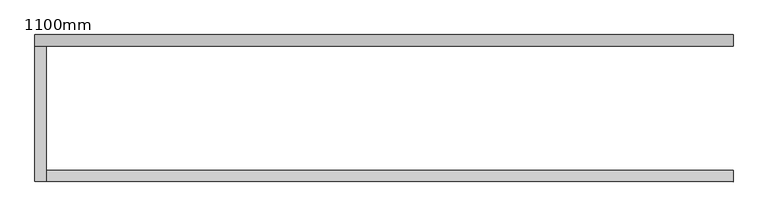
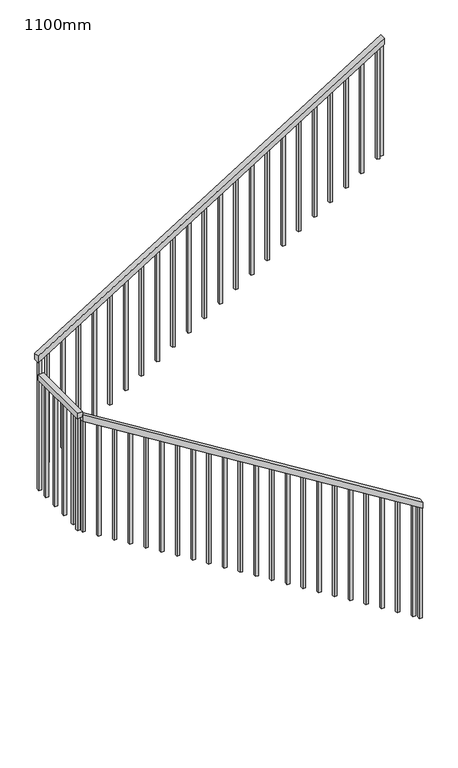
"""IFC4 building model written with IfcOpenShell, lengths in millimetres: railing geometry, 1100mm."""

from ifc_helpers import new_model, si_unit, frame, origin, place, context, project, spatial, polyline, outline, extrude, source, transform, mapped, element, save


def railing_1100mm_722ea6b3(model_context):
    return source(origin(), model_context, "Body", "SweptSolid", [
        extrude(outline(polyline([(4215.0533037, 3017.6359883), (4273.9130435, 3017.6359883), (6155.9006211, -12.3640117), (6097.0408814, -12.3640117), (4215.0533037, 3017.6359883)])), frame((0.0, 32334.0312544, 0.0), z_axis=(0.0, 1.0, 0.0), x_axis=(0.0, 0.0, 1.0)), (0.0, 0.0, 1.0), 50.0),
        extrude(outline(polyline([(-12.3640117, 32334.0312544), (-62.3640117, 32334.0312544), (-62.3640117, 32932.429968), (-12.3640117, 32932.429968), (-12.3640117, 32334.0312544)])), frame((0.0, 0.0, 6136.9565217), z_axis=(0.0, 0.0, 1.0), x_axis=(1.0, 0.0, 0.0)), (0.0, 0.0, 1.0), 50.0),
        extrude(outline(polyline([(6360.8695652, -62.3640117), (6302.0098255, -62.3640117), (8215.0533037, 3017.6359883), (8273.9130435, 3017.6359883), (6360.8695652, -62.3640117)])), frame((0.0, 32932.429968, 0.0), z_axis=(0.0, 1.0, 0.0), x_axis=(0.0, 0.0, 1.0)), (0.0, 0.0, 1.0), 50.0),
        extrude(outline(polyline([(8179.339018, 2960.1359883), (7145.9627329, 2960.1359883), (7145.9627329, 2985.1359883), (8194.8669683, 2985.1359883), (8179.339018, 2960.1359883)])), frame((0.0, 32944.929968, 0.0), z_axis=(0.0, 1.0, 0.0), x_axis=(0.0, 0.0, 1.0)), (0.0, 0.0, 1.0), 25.0),
        extrude(outline(polyline([(8092.3824963, 2820.1359883), (7059.0062112, 2820.1359883), (7059.0062112, 2845.1359883), (8107.9104466, 2845.1359883), (8092.3824963, 2820.1359883)])), frame((0.0, 32944.929968, 0.0), z_axis=(0.0, 1.0, 0.0), x_axis=(0.0, 0.0, 1.0)), (0.0, 0.0, 1.0), 25.0),
        extrude(outline(polyline([(8005.4259745, 2680.1359883), (6972.0496894, 2680.1359883), (6972.0496894, 2705.1359883), (8020.9539248, 2705.1359883), (8005.4259745, 2680.1359883)])), frame((0.0, 32944.929968, 0.0), z_axis=(0.0, 1.0, 0.0), x_axis=(0.0, 0.0, 1.0)), (0.0, 0.0, 1.0), 25.0),
        extrude(outline(polyline([(7918.4694528, 2540.1359883), (6885.0931677, 2540.1359883), (6885.0931677, 2565.1359883), (7933.9974031, 2565.1359883), (7918.4694528, 2540.1359883)])), frame((0.0, 32944.929968, 0.0), z_axis=(0.0, 1.0, 0.0), x_axis=(0.0, 0.0, 1.0)), (0.0, 0.0, 1.0), 25.0),
        extrude(outline(polyline([(7831.5129311, 2400.1359883), (6798.136646, 2400.1359883), (6798.136646, 2425.1359883), (7847.0408814, 2425.1359883), (7831.5129311, 2400.1359883)])), frame((0.0, 32944.929968, 0.0), z_axis=(0.0, 1.0, 0.0), x_axis=(0.0, 0.0, 1.0)), (0.0, 0.0, 1.0), 25.0),
        extrude(outline(polyline([(7744.5564093, 2260.1359883), (6711.1801242, 2260.1359883), (6711.1801242, 2285.1359883), (7760.0843596, 2285.1359883), (7744.5564093, 2260.1359883)])), frame((0.0, 32944.929968, 0.0), z_axis=(0.0, 1.0, 0.0), x_axis=(0.0, 0.0, 1.0)), (0.0, 0.0, 1.0), 25.0),
        extrude(outline(polyline([(7657.5998876, 2120.1359883), (6624.2236025, 2120.1359883), (6624.2236025, 2145.1359883), (7673.1278379, 2145.1359883), (7657.5998876, 2120.1359883)])), frame((0.0, 32944.929968, 0.0), z_axis=(0.0, 1.0, 0.0), x_axis=(0.0, 0.0, 1.0)), (0.0, 0.0, 1.0), 25.0),
        extrude(outline(polyline([(7570.6433658, 1980.1359883), (6537.2670807, 1980.1359883), (6537.2670807, 2005.1359883), (7586.1713162, 2005.1359883), (7570.6433658, 1980.1359883)])), frame((0.0, 32944.929968, 0.0), z_axis=(0.0, 1.0, 0.0), x_axis=(0.0, 0.0, 1.0)), (0.0, 0.0, 1.0), 25.0),
        extrude(outline(polyline([(7483.6868441, 1840.1359883), (6450.310559, 1840.1359883), (6450.310559, 1865.1359883), (7499.2147944, 1865.1359883), (7483.6868441, 1840.1359883)])), frame((0.0, 32944.929968, 0.0), z_axis=(0.0, 1.0, 0.0), x_axis=(0.0, 0.0, 1.0)), (0.0, 0.0, 1.0), 25.0),
        extrude(outline(polyline([(7396.7303224, 1700.1359883), (6363.3540373, 1700.1359883), (6363.3540373, 1725.1359883), (7412.2582727, 1725.1359883), (7396.7303224, 1700.1359883)])), frame((0.0, 32944.929968, 0.0), z_axis=(0.0, 1.0, 0.0), x_axis=(0.0, 0.0, 1.0)), (0.0, 0.0, 1.0), 25.0),
        extrude(outline(polyline([(7309.7738006, 1560.1359883), (6276.3975155, 1560.1359883), (6276.3975155, 1585.1359883), (7325.3017509, 1585.1359883), (7309.7738006, 1560.1359883)])), frame((0.0, 32944.929968, 0.0), z_axis=(0.0, 1.0, 0.0), x_axis=(0.0, 0.0, 1.0)), (0.0, 0.0, 1.0), 25.0),
        extrude(outline(polyline([(7222.8172789, 1420.1359883), (6189.4409938, 1420.1359883), (6189.4409938, 1445.1359883), (7238.3452292, 1445.1359883), (7222.8172789, 1420.1359883)])), frame((0.0, 32944.929968, 0.0), z_axis=(0.0, 1.0, 0.0), x_axis=(0.0, 0.0, 1.0)), (0.0, 0.0, 1.0), 25.0),
        extrude(outline(polyline([(7135.8607571, 1280.1359883), (6102.484472, 1280.1359883), (6102.484472, 1305.1359883), (7151.3887075, 1305.1359883), (7135.8607571, 1280.1359883)])), frame((0.0, 32944.929968, 0.0), z_axis=(0.0, 1.0, 0.0), x_axis=(0.0, 0.0, 1.0)), (0.0, 0.0, 1.0), 25.0),
        extrude(outline(polyline([(7048.9042354, 1140.1359883), (6015.5279503, 1140.1359883), (6015.5279503, 1165.1359883), (7064.4321857, 1165.1359883), (7048.9042354, 1140.1359883)])), frame((0.0, 32944.929968, 0.0), z_axis=(0.0, 1.0, 0.0), x_axis=(0.0, 0.0, 1.0)), (0.0, 0.0, 1.0), 25.0),
        extrude(outline(polyline([(6961.9477137, 1000.1359883), (5928.5714286, 1000.1359883), (5928.5714286, 1025.1359883), (6977.475664, 1025.1359883), (6961.9477137, 1000.1359883)])), frame((0.0, 32944.929968, 0.0), z_axis=(0.0, 1.0, 0.0), x_axis=(0.0, 0.0, 1.0)), (0.0, 0.0, 1.0), 25.0),
        extrude(outline(polyline([(6874.9911919, 860.1359883), (5841.6149068, 860.1359883), (5841.6149068, 885.1359883), (6890.5191422, 885.1359883), (6874.9911919, 860.1359883)])), frame((0.0, 32944.929968, 0.0), z_axis=(0.0, 1.0, 0.0), x_axis=(0.0, 0.0, 1.0)), (0.0, 0.0, 1.0), 25.0),
        extrude(outline(polyline([(6788.0346702, 720.1359883), (5754.6583851, 720.1359883), (5754.6583851, 745.1359883), (6803.5626205, 745.1359883), (6788.0346702, 720.1359883)])), frame((0.0, 32944.929968, 0.0), z_axis=(0.0, 1.0, 0.0), x_axis=(0.0, 0.0, 1.0)), (0.0, 0.0, 1.0), 25.0),
        extrude(outline(polyline([(6701.0781484, 580.1359883), (5667.7018634, 580.1359883), (5667.7018634, 605.1359883), (6716.6060988, 605.1359883), (6701.0781484, 580.1359883)])), frame((0.0, 32944.929968, 0.0), z_axis=(0.0, 1.0, 0.0), x_axis=(0.0, 0.0, 1.0)), (0.0, 0.0, 1.0), 25.0),
        extrude(outline(polyline([(6614.1216267, 440.1359883), (5580.7453416, 440.1359883), (5580.7453416, 465.1359883), (6629.649577, 465.1359883), (6614.1216267, 440.1359883)])), frame((0.0, 32944.929968, 0.0), z_axis=(0.0, 1.0, 0.0), x_axis=(0.0, 0.0, 1.0)), (0.0, 0.0, 1.0), 25.0),
        extrude(outline(polyline([(6527.165105, 300.1359883), (5493.7888199, 300.1359883), (5493.7888199, 325.1359883), (6542.6930553, 325.1359883), (6527.165105, 300.1359883)])), frame((0.0, 32944.929968, 0.0), z_axis=(0.0, 1.0, 0.0), x_axis=(0.0, 0.0, 1.0)), (0.0, 0.0, 1.0), 25.0),
        extrude(outline(polyline([(6440.2085832, 160.1359883), (5406.8322981, 160.1359883), (5406.8322981, 185.1359883), (6455.7365335, 185.1359883), (6440.2085832, 160.1359883)])), frame((0.0, 32944.929968, 0.0), z_axis=(0.0, 1.0, 0.0), x_axis=(0.0, 0.0, 1.0)), (0.0, 0.0, 1.0), 25.0),
        extrude(outline(polyline([(6353.2520615, 20.1359883), (5319.8757764, 20.1359883), (5319.8757764, 45.1359883), (6368.7800118, 45.1359883), (6353.2520615, 20.1359883)])), frame((0.0, 32944.929968, 0.0), z_axis=(0.0, 1.0, 0.0), x_axis=(0.0, 0.0, 1.0)), (0.0, 0.0, 1.0), 25.0),
        extrude(outline(polyline([(-24.8640117, 32836.5312544), (-49.8640117, 32836.5312544), (-49.8640117, 32861.5312544), (-24.8640117, 32861.5312544), (-24.8640117, 32836.5312544)])), frame((0.0, 0.0, 5086.9565217), z_axis=(0.0, 0.0, 1.0), x_axis=(1.0, 0.0, 0.0)), (0.0, 0.0, 1.0), 1050.0),
        extrude(outline(polyline([(-24.8640117, 32696.5312544), (-49.8640117, 32696.5312544), (-49.8640117, 32721.5312544), (-24.8640117, 32721.5312544), (-24.8640117, 32696.5312544)])), frame((0.0, 0.0, 5086.9565217), z_axis=(0.0, 0.0, 1.0), x_axis=(1.0, 0.0, 0.0)), (0.0, 0.0, 1.0), 1050.0),
        extrude(outline(polyline([(-24.8640117, 32556.5312544), (-49.8640117, 32556.5312544), (-49.8640117, 32581.5312544), (-24.8640117, 32581.5312544), (-24.8640117, 32556.5312544)])), frame((0.0, 0.0, 5086.9565217), z_axis=(0.0, 0.0, 1.0), x_axis=(1.0, 0.0, 0.0)), (0.0, 0.0, 1.0), 1050.0),
        extrude(outline(polyline([(-24.8640117, 32416.5312544), (-49.8640117, 32416.5312544), (-49.8640117, 32441.5312544), (-24.8640117, 32441.5312544), (-24.8640117, 32416.5312544)])), frame((0.0, 0.0, 5086.9565217), z_axis=(0.0, 0.0, 1.0), x_axis=(1.0, 0.0, 0.0)), (0.0, 0.0, 1.0), 1050.0),
        extrude(outline(polyline([(5043.4782609, 20.1359883), (6076.854546, 20.1359883), (6092.3824963, -4.8640117), (5043.4782609, -4.8640117), (5043.4782609, 20.1359883)])), frame((0.0, 32346.5312544, 0.0), z_axis=(0.0, 1.0, 0.0), x_axis=(0.0, 0.0, 1.0)), (0.0, 0.0, 1.0), 25.0),
        extrude(outline(polyline([(4956.5217391, 160.1359883), (5989.8980242, 160.1359883), (6005.4259745, 135.1359883), (4956.5217391, 135.1359883), (4956.5217391, 160.1359883)])), frame((0.0, 32346.5312544, 0.0), z_axis=(0.0, 1.0, 0.0), x_axis=(0.0, 0.0, 1.0)), (0.0, 0.0, 1.0), 25.0),
        extrude(outline(polyline([(4869.5652174, 300.1359883), (5902.9415025, 300.1359883), (5918.4694528, 275.1359883), (4869.5652174, 275.1359883), (4869.5652174, 300.1359883)])), frame((0.0, 32346.5312544, 0.0), z_axis=(0.0, 1.0, 0.0), x_axis=(0.0, 0.0, 1.0)), (0.0, 0.0, 1.0), 25.0),
        extrude(outline(polyline([(4782.6086957, 440.1359883), (5815.9849807, 440.1359883), (5831.5129311, 415.1359883), (4782.6086957, 415.1359883), (4782.6086957, 440.1359883)])), frame((0.0, 32346.5312544, 0.0), z_axis=(0.0, 1.0, 0.0), x_axis=(0.0, 0.0, 1.0)), (0.0, 0.0, 1.0), 25.0),
        extrude(outline(polyline([(4695.6521739, 580.1359883), (5729.028459, 580.1359883), (5744.5564093, 555.1359883), (4695.6521739, 555.1359883), (4695.6521739, 580.1359883)])), frame((0.0, 32346.5312544, 0.0), z_axis=(0.0, 1.0, 0.0), x_axis=(0.0, 0.0, 1.0)), (0.0, 0.0, 1.0), 25.0),
        extrude(outline(polyline([(4608.6956522, 720.1359883), (5642.0719373, 720.1359883), (5657.5998876, 695.1359883), (4608.6956522, 695.1359883), (4608.6956522, 720.1359883)])), frame((0.0, 32346.5312544, 0.0), z_axis=(0.0, 1.0, 0.0), x_axis=(0.0, 0.0, 1.0)), (0.0, 0.0, 1.0), 25.0),
        extrude(outline(polyline([(4521.7391304, 860.1359883), (5555.1154155, 860.1359883), (5570.6433658, 835.1359883), (4521.7391304, 835.1359883), (4521.7391304, 860.1359883)])), frame((0.0, 32346.5312544, 0.0), z_axis=(0.0, 1.0, 0.0), x_axis=(0.0, 0.0, 1.0)), (0.0, 0.0, 1.0), 25.0),
        extrude(outline(polyline([(4434.7826087, 1000.1359883), (5468.1588938, 1000.1359883), (5483.6868441, 975.1359883), (4434.7826087, 975.1359883), (4434.7826087, 1000.1359883)])), frame((0.0, 32346.5312544, 0.0), z_axis=(0.0, 1.0, 0.0), x_axis=(0.0, 0.0, 1.0)), (0.0, 0.0, 1.0), 25.0),
        extrude(outline(polyline([(4347.826087, 1140.1359883), (5381.2023721, 1140.1359883), (5396.7303224, 1115.1359883), (4347.826087, 1115.1359883), (4347.826087, 1140.1359883)])), frame((0.0, 32346.5312544, 0.0), z_axis=(0.0, 1.0, 0.0), x_axis=(0.0, 0.0, 1.0)), (0.0, 0.0, 1.0), 25.0),
        extrude(outline(polyline([(4260.8695652, 1280.1359883), (5294.2458503, 1280.1359883), (5309.7738006, 1255.1359883), (4260.8695652, 1255.1359883), (4260.8695652, 1280.1359883)])), frame((0.0, 32346.5312544, 0.0), z_axis=(0.0, 1.0, 0.0), x_axis=(0.0, 0.0, 1.0)), (0.0, 0.0, 1.0), 25.0),
        extrude(outline(polyline([(4173.9130435, 1420.1359883), (5207.2893286, 1420.1359883), (5222.8172789, 1395.1359883), (4173.9130435, 1395.1359883), (4173.9130435, 1420.1359883)])), frame((0.0, 32346.5312544, 0.0), z_axis=(0.0, 1.0, 0.0), x_axis=(0.0, 0.0, 1.0)), (0.0, 0.0, 1.0), 25.0),
        extrude(outline(polyline([(4086.9565217, 1560.1359883), (5120.3328068, 1560.1359883), (5135.8607571, 1535.1359883), (4086.9565217, 1535.1359883), (4086.9565217, 1560.1359883)])), frame((0.0, 32346.5312544, 0.0), z_axis=(0.0, 1.0, 0.0), x_axis=(0.0, 0.0, 1.0)), (0.0, 0.0, 1.0), 25.0),
        extrude(outline(polyline([(4000.0, 1700.1359883), (5033.3762851, 1700.1359883), (5048.9042354, 1675.1359883), (4000.0, 1675.1359883), (4000.0, 1700.1359883)])), frame((0.0, 32346.5312544, 0.0), z_axis=(0.0, 1.0, 0.0), x_axis=(0.0, 0.0, 1.0)), (0.0, 0.0, 1.0), 25.0),
        extrude(outline(polyline([(3913.0434783, 1840.1359883), (4946.4197634, 1840.1359883), (4961.9477137, 1815.1359883), (3913.0434783, 1815.1359883), (3913.0434783, 1840.1359883)])), frame((0.0, 32346.5312544, 0.0), z_axis=(0.0, 1.0, 0.0), x_axis=(0.0, 0.0, 1.0)), (0.0, 0.0, 1.0), 25.0),
        extrude(outline(polyline([(3826.0869565, 1980.1359883), (4859.4632416, 1980.1359883), (4874.9911919, 1955.1359883), (3826.0869565, 1955.1359883), (3826.0869565, 1980.1359883)])), frame((0.0, 32346.5312544, 0.0), z_axis=(0.0, 1.0, 0.0), x_axis=(0.0, 0.0, 1.0)), (0.0, 0.0, 1.0), 25.0),
        extrude(outline(polyline([(3739.1304348, 2120.1359883), (4772.5067199, 2120.1359883), (4788.0346702, 2095.1359883), (3739.1304348, 2095.1359883), (3739.1304348, 2120.1359883)])), frame((0.0, 32346.5312544, 0.0), z_axis=(0.0, 1.0, 0.0), x_axis=(0.0, 0.0, 1.0)), (0.0, 0.0, 1.0), 25.0),
        extrude(outline(polyline([(3652.173913, 2260.1359883), (4685.5501981, 2260.1359883), (4701.0781484, 2235.1359883), (3652.173913, 2235.1359883), (3652.173913, 2260.1359883)])), frame((0.0, 32346.5312544, 0.0), z_axis=(0.0, 1.0, 0.0), x_axis=(0.0, 0.0, 1.0)), (0.0, 0.0, 1.0), 25.0),
        extrude(outline(polyline([(3565.2173913, 2400.1359883), (4598.5936764, 2400.1359883), (4614.1216267, 2375.1359883), (3565.2173913, 2375.1359883), (3565.2173913, 2400.1359883)])), frame((0.0, 32346.5312544, 0.0), z_axis=(0.0, 1.0, 0.0), x_axis=(0.0, 0.0, 1.0)), (0.0, 0.0, 1.0), 25.0),
        extrude(outline(polyline([(3478.2608696, 2540.1359883), (4511.6371547, 2540.1359883), (4527.165105, 2515.1359883), (3478.2608696, 2515.1359883), (3478.2608696, 2540.1359883)])), frame((0.0, 32346.5312544, 0.0), z_axis=(0.0, 1.0, 0.0), x_axis=(0.0, 0.0, 1.0)), (0.0, 0.0, 1.0), 25.0),
        extrude(outline(polyline([(3391.3043478, 2680.1359883), (4424.6806329, 2680.1359883), (4440.2085832, 2655.1359883), (3391.3043478, 2655.1359883), (3391.3043478, 2680.1359883)])), frame((0.0, 32346.5312544, 0.0), z_axis=(0.0, 1.0, 0.0), x_axis=(0.0, 0.0, 1.0)), (0.0, 0.0, 1.0), 25.0),
        extrude(outline(polyline([(3304.3478261, 2820.1359883), (4337.7241112, 2820.1359883), (4353.2520615, 2795.1359883), (3304.3478261, 2795.1359883), (3304.3478261, 2820.1359883)])), frame((0.0, 32346.5312544, 0.0), z_axis=(0.0, 1.0, 0.0), x_axis=(0.0, 0.0, 1.0)), (0.0, 0.0, 1.0), 25.0),
        extrude(outline(polyline([(3217.3913043, 2960.1359883), (4250.7675894, 2960.1359883), (4266.2955398, 2935.1359883), (3217.3913043, 2935.1359883), (3217.3913043, 2960.1359883)])), frame((0.0, 32346.5312544, 0.0), z_axis=(0.0, 1.0, 0.0), x_axis=(0.0, 0.0, 1.0)), (0.0, 0.0, 1.0), 25.0),
        extrude(outline(polyline([(6309.7738006, -49.8640117), (5086.9565217, -49.8640117), (5086.9565217, -24.8640117), (6325.3017509, -24.8640117), (6309.7738006, -49.8640117)])), frame((0.0, 32944.929968, 0.0), z_axis=(0.0, 1.0, 0.0), x_axis=(0.0, 0.0, 1.0)), (0.0, 0.0, 1.0), 25.0),
        extrude(outline(polyline([(-24.8640117, 32346.5312544), (-49.8640117, 32346.5312544), (-49.8640117, 32371.5312544), (-24.8640117, 32371.5312544), (-24.8640117, 32346.5312544)])), frame((0.0, 0.0, 5071.4285714), z_axis=(0.0, 0.0, 1.0), x_axis=(1.0, 0.0, 0.0)), (0.0, 0.0, 1.0), 1065.5279503),
        extrude(outline(polyline([(8199.5253534, 2992.6359883), (7166.1490683, 2992.6359883), (7166.1490683, 3017.6359883), (8215.0533037, 3017.6359883), (8199.5253534, 2992.6359883)])), frame((0.0, 32944.929968, 0.0), z_axis=(0.0, 1.0, 0.0), x_axis=(0.0, 0.0, 1.0)), (0.0, 0.0, 1.0), 25.0),
        extrude(outline(polyline([(3181.6770186, 3017.6359883), (4215.0533037, 3017.6359883), (4230.581254, 2992.6359883), (3181.6770186, 2992.6359883), (3181.6770186, 3017.6359883)])), frame((0.0, 32346.5312544, 0.0), z_axis=(0.0, 1.0, 0.0), x_axis=(0.0, 0.0, 1.0)), (0.0, 0.0, 1.0), 25.0),
    ])


if __name__ == "__main__":
    model = new_model("IFC4")
    model_context = context("Model", 3, world=origin())
    ifc_project = project(units=[si_unit("LENGTHUNIT", "METRE", prefix="MILLI")], contexts=[model_context])
    site = spatial("IfcSite", under=ifc_project)
    building = spatial("IfcBuilding", under=site)
    placement = place(None, origin())
    railing_1100mm_shape = railing_1100mm_722ea6b3(model_context)
    element("IfcRailing", 1, ObjectType="1100mm", at=placement, inside=building, context=model_context, shape_type="MappedRepresentation", body=[
        mapped(railing_1100mm_shape, transform((0.0, 0.0, 0.0), x_axis=(1.0, 0.0, 0.0), y_axis=(0.0, 1.0, 0.0), z_axis=(0.0, 0.0, 1.0))),
    ])
    save(model, "model.ifc")
